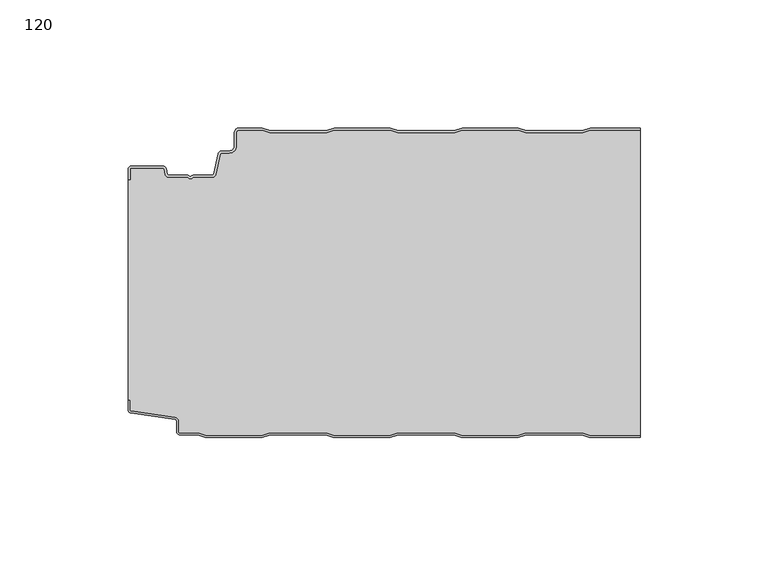
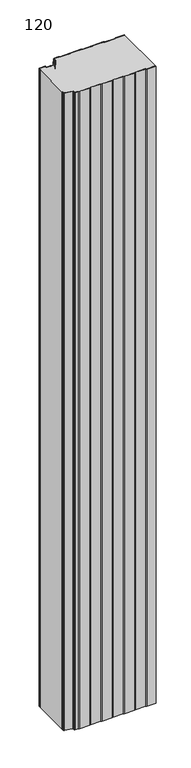
"""IFC4 building model written with IfcOpenShell, lengths in millimetres: plate geometry, 120."""

from ifc_helpers import new_model, si_unit, point, frame_2d, origin, origin_with_axes, place, context, project, spatial, polyline, circle_curve, trimmed, segment, composite_curve, outline, extrude, source, transform, mapped, element, save


def plate_120_efc7705c(model_context):
    return source(origin(), model_context, "Body", "SweptSolid", [
        extrude(outline(composite_curve([segment(trimmed(circle_curve(frame_2d((-98.6, -16.2480681)), 1.4), [point((-100.0, -16.2480681))], [point((-98.6, -14.8480681))], False, "CARTESIAN"), True, "CONTINUOUS"), segment(polyline([(-98.6, -14.8480681), (-86.4969094, -14.8480681)]), True, "CONTINUOUS"), segment(trimmed(circle_curve(frame_2d((-86.4969094, -16.2480681)), 1.4), [point((-86.4969094, -14.8480681))], [point((-85.1275334, -15.9568477))], False, "CARTESIAN"), True, "CONTINUOUS"), segment(polyline([(-85.1275334, -15.9568477), (-84.6878192, -18.0244711)]), True, "CONTINUOUS"), segment(trimmed(circle_curve(frame_2d((-84.1011925, -17.8997153)), 0.5997457), [point((-84.6878192, -18.0244711))], [point((-84.1011925, -18.499461))], True, "CARTESIAN"), True, "CONTINUOUS"), segment(polyline([(-84.1011925, -18.499461), (-76.9006569, -18.499461)]), True, "CONTINUOUS"), segment(trimmed(circle_curve(frame_2d((-76.9006569, -19.799946)), 1.300485), [point((-76.9006569, -18.499461))], [point((-75.9808032, -18.8806362))], False, "CARTESIAN"), True, "CONTINUOUS"), segment(trimmed(circle_curve(frame_2d((-75.5877843, -18.5693125)), 0.5013845), [point((-75.9808032, -18.8806362))], [point((-75.2328971, -18.9234896))], True, "CARTESIAN"), True, "CONTINUOUS"), segment(trimmed(circle_curve(frame_2d((-74.2728751, -19.8002001)), 1.3001013), [point((-75.2328971, -18.9234896))], [point((-74.2728751, -18.5000988))], False, "CARTESIAN"), True, "CONTINUOUS"), segment(polyline([(-74.2728751, -18.5000988), (-67.0728572, -18.5000988)]), True, "CONTINUOUS"), segment(trimmed(circle_curve(frame_2d((-67.0728572, -17.9000522)), 0.6000466), [point((-67.0728572, -18.5000988))], [point((-66.4859224, -18.0248059))], True, "CARTESIAN"), True, "CONTINUOUS"), segment(polyline([(-66.4859224, -18.0248059), (-64.8033928, -10.1089305)]), True, "CONTINUOUS"), segment(trimmed(circle_curve(frame_2d((-63.4339847, -10.4)), 1.4), [point((-64.8033928, -10.1089305))], [point((-63.4339847, -9.0))], False, "CARTESIAN"), True, "CONTINUOUS"), segment(polyline([(-63.4339847, -9.0), (-60.4027062, -9.0)]), True, "CONTINUOUS"), segment(trimmed(circle_curve(frame_2d((-60.4027062, -7.1)), 1.9), [point((-60.4027062, -9.0))], [point((-58.5027062, -7.1))], True, "CARTESIAN"), True, "CONTINUOUS"), segment(polyline([(-58.5027062, -7.1), (-58.5027062, -2.0)]), True, "CONTINUOUS"), segment(trimmed(circle_curve(frame_2d((-56.5027062, -2.0)), 2.0), [point((-58.5027062, -2.0))], [point((-56.5027062, 0.0))], False, "CARTESIAN"), True, "CONTINUOUS"), segment(polyline([(-56.5027062, 0.0), (-47.5017452, 0.0), (-44.5017452, -1.0), (-22.5017452, -1.0), (-19.5017452, 0.0), (2.4982548, 0.0), (5.4982548, -1.0), (27.4982548, -1.0), (30.4982548, 0.0), (52.4982548, 0.0), (55.4982548, -1.0), (77.4982548, -1.0), (80.4982548, 0.0), (100.0, 0.0), (100.0, -0.8), (80.6280769, -0.8), (77.6280769, -1.8), (55.3684327, -1.8), (52.3684327, -0.8), (30.6280769, -0.8), (27.6280769, -1.8), (5.3684327, -1.8), (2.3684327, -0.8), (-19.3719231, -0.8), (-22.3719231, -1.8), (-44.6315673, -1.8), (-47.6315673, -0.8), (-56.5027062, -0.8)]), True, "CONTINUOUS"), segment(trimmed(circle_curve(frame_2d((-56.5027062, -2.0)), 1.2), [point((-56.5027062, -0.8))], [point((-57.7027062, -2.0))], True, "CARTESIAN"), True, "CONTINUOUS"), segment(polyline([(-57.7027062, -2.0), (-57.7027062, -7.1)]), True, "CONTINUOUS"), segment(trimmed(circle_curve(frame_2d((-60.4027062, -7.1)), 2.7), [point((-57.7027062, -7.1))], [point((-60.4027062, -9.8))], False, "CARTESIAN"), True, "CONTINUOUS"), segment(polyline([(-60.4027062, -9.8), (-63.4339847, -9.8)]), True, "CONTINUOUS"), segment(trimmed(circle_curve(frame_2d((-63.4339847, -10.4)), 0.6), [point((-63.4339847, -9.8))], [point((-64.0208733, -10.275253))], True, "CARTESIAN"), True, "CONTINUOUS"), segment(polyline([(-64.0208733, -10.275253), (-65.7034335, -18.1910764)]), True, "CONTINUOUS"), segment(trimmed(circle_curve(frame_2d((-67.0728401, -17.9)), 1.4), [point((-65.7034335, -18.1910764))], [point((-67.0728401, -19.3))], False, "CARTESIAN"), True, "CONTINUOUS"), segment(polyline([(-67.0728401, -19.3), (-74.5122154, -19.3)]), True, "CONTINUOUS"), segment(trimmed(circle_curve(frame_2d((-75.5869697, -18.5686292)), 1.3), [point((-74.5122154, -19.3))], [point((-76.6617239, -19.3))], False, "CARTESIAN"), True, "CONTINUOUS"), segment(polyline([(-76.6617239, -19.3), (-84.1010993, -19.3)]), True, "CONTINUOUS"), segment(trimmed(circle_curve(frame_2d((-84.1010993, -17.9)), 1.4), [point((-84.1010993, -19.3))], [point((-85.4705059, -18.1910764))], False, "CARTESIAN"), True, "CONTINUOUS"), segment(polyline([(-85.4705059, -18.1910764), (-85.9100208, -16.1233211)]), True, "CONTINUOUS"), segment(trimmed(circle_curve(frame_2d((-86.4969094, -16.2480681)), 0.6), [point((-85.9100208, -16.1233211))], [point((-86.4969094, -15.6480681))], True, "CARTESIAN"), True, "CONTINUOUS"), segment(polyline([(-86.4969094, -15.6480681), (-98.6, -15.6480681)]), True, "CONTINUOUS"), segment(trimmed(circle_curve(frame_2d((-98.6, -16.2480681)), 0.6), [point((-98.6, -15.6480681))], [point((-99.2, -16.2480681))], True, "CARTESIAN"), True, "CONTINUOUS"), segment(polyline([(-99.2, -16.2480681), (-99.2, -20.2482392), (-100.0, -20.2482392), (-100.0, -16.2480681)]), True, "CONTINUOUS")], self_intersect=False)), origin_with_axes(), (0.0, 0.0, 1.0), 1500.0),
        extrude(outline(composite_curve([segment(polyline([(-100.0, -106.3232445), (-100.0, -20.2482392), (-99.2, -20.2482392), (-99.2, -16.2480681)]), True, "CONTINUOUS"), segment(trimmed(circle_curve(frame_2d((-98.6, -16.2480681)), 0.6), [point((-99.2, -16.2480681))], [point((-98.6, -15.6480681))], False, "CARTESIAN"), True, "CONTINUOUS"), segment(polyline([(-98.6, -15.6480681), (-86.4969094, -15.6480681)]), True, "CONTINUOUS"), segment(trimmed(circle_curve(frame_2d((-86.4969094, -16.2480681)), 0.6), [point((-86.4969094, -15.6480681))], [point((-85.9100208, -16.1233211))], False, "CARTESIAN"), True, "CONTINUOUS"), segment(polyline([(-85.9100208, -16.1233211), (-85.4705059, -18.1910764)]), True, "CONTINUOUS"), segment(trimmed(circle_curve(frame_2d((-84.1010993, -17.9)), 1.4), [point((-85.4705059, -18.1910764))], [point((-84.1010993, -19.3))], True, "CARTESIAN"), True, "CONTINUOUS"), segment(polyline([(-84.1010993, -19.3), (-76.6617239, -19.3)]), True, "CONTINUOUS"), segment(trimmed(circle_curve(frame_2d((-75.5869697, -18.5686292)), 1.3), [point((-76.6617239, -19.3))], [point((-74.5122154, -19.3))], True, "CARTESIAN"), True, "CONTINUOUS"), segment(polyline([(-74.5122154, -19.3), (-67.0728401, -19.3)]), True, "CONTINUOUS"), segment(trimmed(circle_curve(frame_2d((-67.0728401, -17.9)), 1.4), [point((-67.0728401, -19.3))], [point((-65.7034335, -18.1910764))], True, "CARTESIAN"), True, "CONTINUOUS"), segment(polyline([(-65.7034335, -18.1910764), (-64.0208733, -10.275253)]), True, "CONTINUOUS"), segment(trimmed(circle_curve(frame_2d((-63.4339847, -10.4)), 0.6), [point((-64.0208733, -10.275253))], [point((-63.4339847, -9.8))], False, "CARTESIAN"), True, "CONTINUOUS"), segment(polyline([(-63.4339847, -9.8), (-60.4027062, -9.8)]), True, "CONTINUOUS"), segment(trimmed(circle_curve(frame_2d((-60.4027062, -7.1)), 2.7), [point((-60.4027062, -9.8))], [point((-57.7027062, -7.1))], True, "CARTESIAN"), True, "CONTINUOUS"), segment(polyline([(-57.7027062, -7.1), (-57.7027062, -2.0)]), True, "CONTINUOUS"), segment(trimmed(circle_curve(frame_2d((-56.5027062, -2.0)), 1.2), [point((-57.7027062, -2.0))], [point((-56.5027062, -0.8))], False, "CARTESIAN"), True, "CONTINUOUS"), segment(polyline([(-56.5027062, -0.8), (-47.6315673, -0.8), (-44.6315673, -1.8), (-22.3719231, -1.8), (-19.3719231, -0.8), (2.3684327, -0.8), (5.3684327, -1.8), (27.6280769, -1.8), (30.6280769, -0.8), (52.3684327, -0.8), (55.3684327, -1.8), (77.6280769, -1.8), (80.6280769, -0.8), (100.0, -0.8), (100.0, -120.2), (80.3684327, -120.2), (77.3684327, -119.2), (55.3684327, -119.2), (52.3684327, -120.2), (30.3684327, -120.2), (27.3684327, -119.2), (5.3684327, -119.2), (2.3684327, -120.2), (-19.6315673, -120.2), (-22.6315673, -119.2), (-44.6315673, -119.2), (-47.6315673, -120.2), (-69.6315673, -120.2), (-72.6315673, -119.2), (-79.7, -119.2)]), True, "CONTINUOUS"), segment(trimmed(circle_curve(frame_2d((-79.7, -118.7)), 0.5), [point((-79.7, -119.2))], [point((-80.2, -118.7))], False, "CARTESIAN"), True, "CONTINUOUS"), segment(polyline([(-80.2, -118.7), (-80.2, -114.6035317)]), True, "CONTINUOUS"), segment(trimmed(circle_curve(frame_2d((-81.7, -114.6035317)), 1.5), [point((-80.2, -114.6035317))], [point((-81.4911207, -113.1181464))], True, "CARTESIAN"), True, "CONTINUOUS"), segment(polyline([(-81.4911207, -113.1181464), (-98.6835517, -110.7004962)]), True, "CONTINUOUS"), segment(trimmed(circle_curve(frame_2d((-98.6, -110.1063421)), 0.6), [point((-98.6835517, -110.7004962))], [point((-99.2, -110.1063421))], False, "CARTESIAN"), True, "CONTINUOUS"), segment(polyline([(-99.2, -110.1063421), (-99.2, -106.3232445), (-100.0, -106.3232445)]), True, "CONTINUOUS")], self_intersect=False)), origin_with_axes(), (0.0, 0.0, 1.0), 1500.0),
        extrude(outline(composite_curve([segment(polyline([(-100.0, -106.3232445), (-99.2, -106.3232445), (-99.2, -110.1063421)]), True, "CONTINUOUS"), segment(trimmed(circle_curve(frame_2d((-98.6, -110.1063421)), 0.6), [point((-99.2, -110.1063421))], [point((-98.6835517, -110.7004962))], True, "CARTESIAN"), True, "CONTINUOUS"), segment(polyline([(-98.6835517, -110.7004962), (-81.4911207, -113.1181464)]), True, "CONTINUOUS"), segment(trimmed(circle_curve(frame_2d((-81.7, -114.6035317)), 1.5), [point((-81.4911207, -113.1181464))], [point((-80.2, -114.6035317))], False, "CARTESIAN"), True, "CONTINUOUS"), segment(polyline([(-80.2, -114.6035317), (-80.2, -118.7)]), True, "CONTINUOUS"), segment(trimmed(circle_curve(frame_2d((-79.7, -118.7)), 0.5), [point((-80.2, -118.7))], [point((-79.7, -119.2))], True, "CARTESIAN"), True, "CONTINUOUS"), segment(polyline([(-79.7, -119.2), (-72.6315673, -119.2), (-69.6315673, -120.2), (-47.6315673, -120.2), (-44.6315673, -119.2), (-22.6315673, -119.2), (-19.6315673, -120.2), (2.3684327, -120.2), (5.3684327, -119.2), (27.3684327, -119.2), (30.3684327, -120.2), (52.3684327, -120.2), (55.3684327, -119.2), (77.3684327, -119.2), (80.3684327, -120.2), (100.0, -120.2), (100.0, -121.0), (80.2386105, -121.0), (77.2386105, -120.0), (55.4982548, -120.0), (52.4982548, -121.0), (30.2386105, -121.0), (27.2386105, -120.0), (5.4982548, -120.0), (2.4982548, -121.0), (-19.7613895, -121.0), (-22.7613895, -120.0), (-44.5017452, -120.0), (-47.5017452, -121.0), (-69.7613895, -121.0), (-72.7613895, -120.0), (-79.7, -120.0)]), True, "CONTINUOUS"), segment(trimmed(circle_curve(frame_2d((-79.7, -118.7)), 1.3), [point((-79.7, -120.0))], [point((-81.0, -118.7))], False, "CARTESIAN"), True, "CONTINUOUS"), segment(polyline([(-81.0, -118.7), (-81.0, -114.6035317)]), True, "CONTINUOUS"), segment(trimmed(circle_curve(frame_2d((-81.7, -114.6035317)), 0.7), [point((-81.0, -114.6035317))], [point((-81.602523, -113.9103519))], True, "CARTESIAN"), True, "CONTINUOUS"), segment(polyline([(-81.602523, -113.9103519), (-98.8810287, -111.4805976)]), True, "CONTINUOUS"), segment(trimmed(circle_curve(frame_2d((-98.7, -110.1932637)), 1.3), [point((-98.8810287, -111.4805976))], [point((-100.0, -110.1932637))], False, "CARTESIAN"), True, "CONTINUOUS"), segment(polyline([(-100.0, -110.1932637), (-100.0, -106.3232445)]), True, "CONTINUOUS")], self_intersect=False)), origin_with_axes(), (0.0, 0.0, 1.0), 1500.0),
    ])


if __name__ == "__main__":
    model = new_model("IFC4")
    model_context = context("Model", 3, world=origin())
    ifc_project = project(units=[si_unit("LENGTHUNIT", "METRE", prefix="MILLI")], contexts=[model_context])
    site = spatial("IfcSite", under=ifc_project)
    building = spatial("IfcBuilding", under=site)
    placement = place(None, origin())
    plate_120_shape = plate_120_efc7705c(model_context)
    element("IfcPlate", 1, ObjectType="120", at=placement, inside=building, context=model_context, shape_type="MappedRepresentation", body=[
        mapped(plate_120_shape, transform((0.0, 0.0, 0.0), x_axis=(1.0, 0.0, 0.0), y_axis=(0.0, 1.0, 0.0), z_axis=(0.0, 0.0, 1.0))),
    ])
    save(model, "model.ifc")
